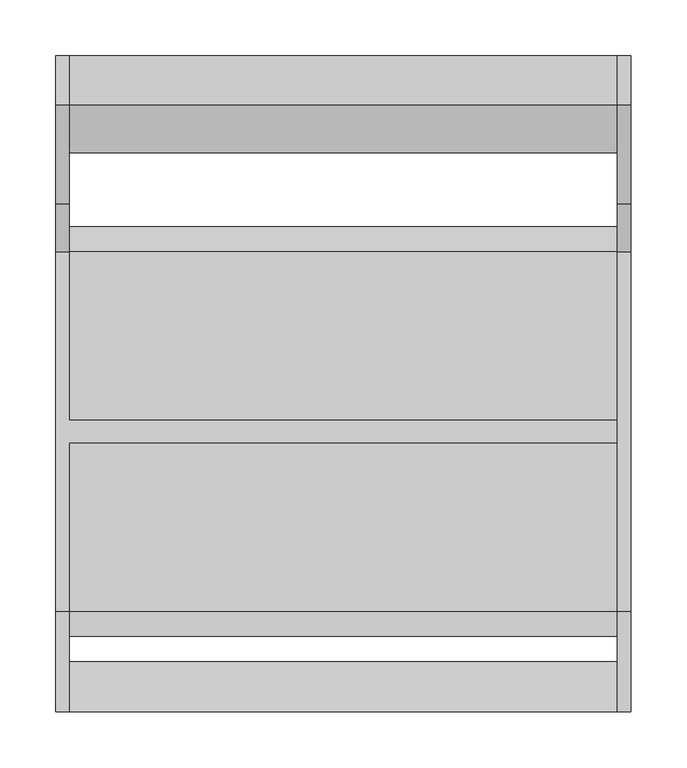
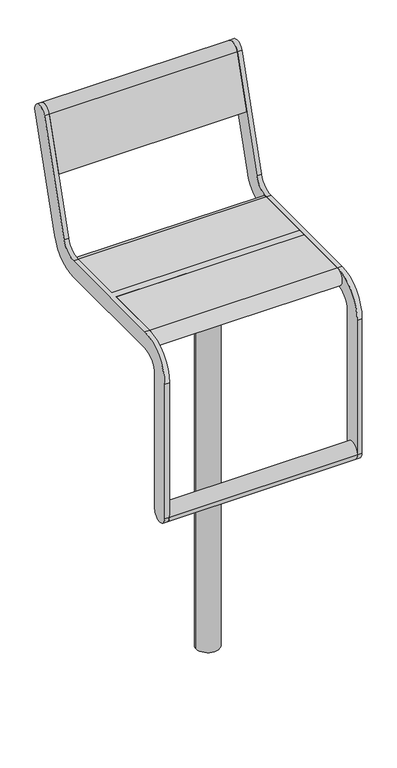
"""IFC4 building model written with IfcOpenShell, lengths in millimetres: furniture geometry."""

from ifc_helpers import new_model, si_unit, point, frame, frame_2d, origin, origin_2d, place, context, project, spatial, polyline, circle_curve, trimmed, segment, composite_curve, outline, extrude, source, transform, mapped, element, save
from ifc_brep_helpers import plane_surface, cylinder_surface, revolved_surface, advanced_brep


def furniture_853dd78e(model_context):
    return source(origin(), model_context, "Body", "SolidModel", [
        extrude(outline(composite_curve([segment(trimmed(circle_curve(origin_2d(), 40.0), [point((-40.0, 0.0))], [point((40.0, 0.0))], False, "CARTESIAN"), True, "CONTINUOUS"), segment(trimmed(circle_curve(origin_2d(), 40.0), [point((40.0, 0.0))], [point((-40.0, 0.0))], False, "CARTESIAN"), True, "CONTINUOUS")], self_intersect=False)), frame((0.0, 0.0, 578.999979), z_axis=(0.0, 0.0, 1.0), x_axis=(1.0, 0.0, 0.0)), (0.0, 0.0, 1.0), 60.0000441),
        extrude(outline(polyline([(75.0, 125.0), (75.0, -125.0), (-75.0, -125.0), (-75.0, 125.0), (75.0, 125.0)])), frame((0.0, 0.0, 639.0000231), z_axis=(0.0, 0.0, 1.0), x_axis=(1.0, 0.0, 0.0)), (0.0, 0.0, 1.0), 15.9999681),
        extrude(outline(composite_curve([segment(trimmed(circle_curve(origin_2d(), 30.0), [point((-30.0, 0.0))], [point((30.0, 0.0))], False, "CARTESIAN"), True, "CONTINUOUS"), segment(trimmed(circle_curve(origin_2d(), 30.0), [point((30.0, 0.0))], [point((-30.0, 0.0))], False, "CARTESIAN"), True, "CONTINUOUS")], self_intersect=False)), frame((0.0, 0.0, -350.0), z_axis=(0.0, 0.0, 1.0), x_axis=(1.0, 0.0, 0.0)), (0.0, 0.0, 1.0), 928.999979),
        extrude(outline(composite_curve([segment(trimmed(circle_curve(frame_2d((-228.4999475, 240.0002133)), 22.4999984), [point((-205.9999492, 240.0002133))], [point((-250.9999459, 240.0002133))], False, "CARTESIAN"), True, "CONTINUOUS"), segment(trimmed(circle_curve(frame_2d((-228.4999475, 240.0002133)), 22.4999984), [point((-250.9999459, 240.0002133))], [point((-205.9999492, 240.0002133))], False, "CARTESIAN"), True, "CONTINUOUS")], self_intersect=False)), frame((-245.0, 0.0, 0.0), z_axis=(1.0, 0.0, 0.0), x_axis=(0.0, 1.0, 0.0)), (0.0, 0.0, 1.0), 490.0),
        extrude(outline(composite_curve([segment(trimmed(circle_curve(frame_2d((312.5544541, 1013.1126327)), 22.5), [point((291.0375971, 1019.6909961))], [point((334.0713112, 1006.5342693))], False, "CARTESIAN"), True, "CONTINUOUS"), segment(polyline([(334.0713112, 1006.5342693), (246.067428, 718.6865378)]), True, "CONTINUOUS"), segment(trimmed(circle_curve(frame_2d((160.0, 744.9999912)), 90.0), [point((246.067428, 718.6865378))], [point((160.0, 654.9999912))], False, "CARTESIAN"), True, "CONTINUOUS"), segment(polyline([(160.0, 654.9999912), (-161.000007, 654.9999912)]), True, "CONTINUOUS"), segment(trimmed(circle_curve(frame_2d((-161.000007, 610.000049)), 44.9999422), [point((-161.000007, 654.9999912))], [point((-205.9999492, 610.000049))], True, "CARTESIAN"), True, "CONTINUOUS"), segment(polyline([(-205.9999492, 610.000049), (-205.9999492, 240.0002133)]), True, "CONTINUOUS"), segment(trimmed(circle_curve(frame_2d((-228.4999475, 240.0002133)), 22.4999984), [point((-205.9999492, 240.0002133))], [point((-250.9999459, 240.0002133))], False, "CARTESIAN"), True, "CONTINUOUS"), segment(polyline([(-250.9999459, 240.0002133), (-250.9999459, 610.0000453)]), True, "CONTINUOUS"), segment(trimmed(circle_curve(frame_2d((-161.0, 610.0000453)), 89.9999459), [point((-250.9999459, 610.0000453))], [point((-161.0, 699.9999912))], False, "CARTESIAN"), True, "CONTINUOUS"), segment(polyline([(-161.0, 699.9999912), (160.0, 699.9999912)]), True, "CONTINUOUS"), segment(trimmed(circle_curve(frame_2d((160.0, 744.9999912)), 45.0), [point((160.0, 699.9999912))], [point((203.033714, 731.8432645))], True, "CARTESIAN"), True, "CONTINUOUS"), segment(polyline([(203.033714, 731.8432645), (291.0375971, 1019.6909961)]), True, "CONTINUOUS")], self_intersect=False)), frame((245.0000214, 0.0, 0.0), z_axis=(1.0, 0.0, 0.0), x_axis=(0.0, 1.0, 0.0)), (0.0, 0.0, 1.0), 12.0),
        advanced_brep(
        [(-245.0, 291.0375971, 1019.6909961), (-245.0, 203.033714, 731.8432645), (-245.0, 160.0, 699.9999912), (-245.0, 9.5, 699.9999912), (-245.0, 9.5, 654.9999912), (-245.0, 160.0, 654.9999912), (-245.0, 246.067428, 718.6865378), (-245.0, 334.0713112, 1006.5342693), (-245.0, -161.0, 699.9999912), (-245.0, -250.9999459, 610.0000453), (-245.0, -250.9999459, 240.0002133), (-245.0, -205.9999492, 240.0002133), (-245.0, -205.9999492, 610.000049), (-245.0, -161.000007, 654.9999912), (-245.0, -10.5, 654.9999912), (-245.0, -10.5, 699.9999912), (-257.0, 291.0375971, 1019.6909961), (-257.0, 334.0713112, 1006.5342693), (-257.0, 246.067428, 718.6865378), (-257.0, 160.0, 654.9999912), (-257.0, -161.000007, 654.9999912), (-257.0, -205.9999492, 610.000049), (-257.0, -205.9999492, 240.0002133), (-257.0, -250.9999459, 240.0002133), (-257.0, -250.9999459, 610.0000453), (-257.0, -161.0, 699.9999912), (-257.0, 160.0, 699.9999912), (-257.0, 203.033714, 731.8432645), (245.0, -10.5, 699.9999912), (245.0, 9.5, 699.9999912), (245.0, 9.5, 654.9999912), (245.0, -10.5, 654.9999912)],
        [
            (0, 1),
            (1, 2, circle_curve(frame((-245.0, 160.0, 744.9999912), z_axis=(-1.0, 0.0, 0.0), x_axis=(0.0, -1.0, 0.0)), 45.0)),
            (2, 3),
            (3, 4),
            (4, 5),
            (5, 6, circle_curve(frame((-245.0, 160.0, 744.9999912), z_axis=(1.0, 0.0, 0.0), x_axis=(0.0, -1.0, 0.0)), 90.0)),
            (6, 7),
            (7, 0, circle_curve(frame((-245.0, 312.5544541, 1013.1126327), z_axis=(1.0, 0.0, 0.0), x_axis=(0.0, -1.0, 0.0)), 22.5)),
            (8, 9, circle_curve(frame((-245.0, -161.0, 610.0000453), z_axis=(1.0, 0.0, 0.0), x_axis=(0.0, -1.0, 0.0)), 89.9999459)),
            (9, 10),
            (10, 11, circle_curve(frame((-245.0, -228.4999475, 240.0002133), z_axis=(1.0, 0.0, 0.0), x_axis=(0.0, -1.0, 0.0)), 22.4999984)),
            (11, 12),
            (12, 13, circle_curve(frame((-245.0, -161.000007, 610.000049), z_axis=(-1.0, 0.0, 0.0), x_axis=(0.0, -1.0, 0.0)), 44.9999422)),
            (13, 14),
            (14, 15),
            (15, 8),
            (16, 17, circle_curve(frame((-257.0, 312.5544541, 1013.1126327), z_axis=(-1.0, 0.0, 0.0), x_axis=(0.0, -1.0, 0.0)), 22.5)),
            (17, 18),
            (18, 19, circle_curve(frame((-257.0, 160.0, 744.9999912), z_axis=(-1.0, 0.0, 0.0), x_axis=(0.0, -1.0, 0.0)), 90.0)),
            (19, 20),
            (20, 21, circle_curve(frame((-257.0, -161.000007, 610.000049), z_axis=(1.0, 0.0, 0.0), x_axis=(0.0, -1.0, 0.0)), 44.9999422)),
            (21, 22),
            (22, 23, circle_curve(frame((-257.0, -228.4999475, 240.0002133), z_axis=(-1.0, 0.0, 0.0), x_axis=(0.0, -1.0, 0.0)), 22.4999984)),
            (23, 24),
            (24, 25, circle_curve(frame((-257.0, -161.0, 610.0000453), z_axis=(-1.0, 0.0, 0.0), x_axis=(0.0, -1.0, 0.0)), 89.9999459)),
            (25, 26),
            (26, 27, circle_curve(frame((-257.0, 160.0, 744.9999912), z_axis=(1.0, 0.0, 0.0), x_axis=(0.0, -1.0, 0.0)), 45.0)),
            (27, 16),
            (0, 16),
            (27, 1),
            (26, 2),
            (25, 8),
            (15, 28),
            (28, 29),
            (29, 3),
            (19, 5),
            (4, 30),
            (30, 31),
            (31, 14),
            (13, 20),
            (18, 6),
            (17, 7),
            (28, 31),
            (30, 29),
            (24, 9),
            (23, 10),
            (22, 11),
            (21, 12),
        ],
        [
            plane_surface(frame((-245.0, 203.033714, 731.8432645), z_axis=(1.0, 0.0, 0.0), x_axis=(0.0, -0.2923717047227337, -0.9563047559630364))),
            plane_surface(frame((-257.0, 203.033714, 731.8432645), z_axis=(-1.0, 0.0, 0.0), x_axis=(0.0, 0.2923717047227337, 0.9563047559630364))),
            plane_surface(frame((-245.0, 291.0375971, 1019.6909961), z_axis=(0.0, -0.9563047559630364, 0.2923717047227337), x_axis=(-1.0, 0.0, 0.0))),
            revolved_surface(polyline([(-257.0, 115.0, 744.9999912), (-245.0, 115.0, 744.9999912)]), (-257.0, 160.0, 744.9999912), (-1.0, 0.0, 0.0)),
            plane_surface(frame((-245.0, 160.0, 699.9999912), z_axis=(0.0, 0.0, 1.0), x_axis=(-1.0, 0.0, 0.0))),
            plane_surface(frame((-245.0, -161.000007, 654.9999912), z_axis=(0.0, 0.0, -1.0), x_axis=(-1.0, 0.0, 0.0))),
            cylinder_surface(frame((-257.0, 160.0, 744.9999912), z_axis=(1.0, 0.0, 0.0), x_axis=(0.0, -1.0, 0.0)), 90.0),
            plane_surface(frame((-245.0, 246.067428, 718.6865378), z_axis=(0.0, 0.9563047559630364, -0.2923717047227337), x_axis=(-1.0, 0.0, 0.0))),
            cylinder_surface(frame((-257.0, 312.5544541, 1013.1126327), z_axis=(1.0, 0.0, 0.0), x_axis=(0.0, -1.0, 0.0)), 22.5),
            plane_surface(frame((245.0, -10.5, 699.9999912), z_axis=(1.0, 0.0, 0.0), x_axis=(0.0, -1.0, 0.0))),
            plane_surface(frame((245.0, -10.5, 699.9999912), z_axis=(0.0, -1.0, 0.0), x_axis=(-1.0, 0.0, 0.0))),
            plane_surface(frame((245.0, 9.5, 654.9999912), z_axis=(0.0, 1.0, 0.0), x_axis=(-1.0, 0.0, 0.0))),
            cylinder_surface(frame((-257.0, -161.0, 610.0000453), z_axis=(1.0, 0.0, 0.0), x_axis=(0.0, -1.0, 0.0)), 89.9999459),
            plane_surface(frame((-245.0, -250.9999459, 610.0000453), z_axis=(0.0, -1.0, 0.0), x_axis=(-1.0, 0.0, 0.0))),
            cylinder_surface(frame((-257.0, -228.4999475, 240.0002133), z_axis=(1.0, 0.0, 0.0), x_axis=(0.0, -1.0, 0.0)), 22.4999984),
            plane_surface(frame((-245.0, -205.9999492, 240.0002133), z_axis=(0.0, 1.0, 0.0), x_axis=(-1.0, 0.0, 0.0))),
            revolved_surface(polyline([(-257.0, -205.9999492, 610.000049), (-245.0, -205.9999492, 610.000049)]), (-257.0, -161.000007, 610.000049), (-1.0, 0.0, 0.0)),
        ],
        [
            (0, [[1, 2, 3, 4, 5, 6, 7, 8]]),
            (0, [[9, 10, 11, 12, 13, 14, 15, 16]]),
            (1, [[17, 18, 19, 20, 21, 22, 23, 24, 25, 26, 27, 28]]),
            (2, [[-1, 29, -28, 30]]),
            (3, [[-2, -30, -27, 31]]),
            (4, [[-26, 32, -16, 33, 34, 35, -3, -31]]),
            (5, [[-20, 36, -5, 37, 38, 39, -14, 40]]),
            (6, [[-6, -36, -19, 41]]),
            (7, [[-7, -41, -18, 42]]),
            (8, [[-8, -42, -17, -29]]),
            (9, [[-34, 43, -38, 44]]),
            (10, [[-43, -33, -15, -39]]),
            (11, [[-44, -37, -4, -35]]),
            (12, [[-9, -32, -25, 45]]),
            (13, [[-10, -45, -24, 46]]),
            (14, [[-11, -46, -23, 47]]),
            (15, [[-12, -47, -22, 48]]),
            (16, [[-13, -48, -21, -40]]),
        ],
    ),
        extrude(outline(composite_curve([segment(trimmed(circle_curve(frame_2d((312.5544541, 1013.1126327)), 22.5), [point((291.0375971, 1019.6909961))], [point((334.0713112, 1006.5342693))], False, "CARTESIAN"), True, "CONTINUOUS"), segment(polyline([(334.0713112, 1006.5342693), (291.5312281, 867.3919274), (248.4975141, 880.5486541), (291.0375971, 1019.6909961)]), True, "CONTINUOUS")], self_intersect=False)), frame((-245.0, 0.0, 0.0), z_axis=(1.0, 0.0, 0.0), x_axis=(0.0, 1.0, 0.0)), (0.0, 0.0, 1.0), 490.0),
        extrude(outline(composite_curve([segment(polyline([(9.5, 654.9999912), (9.5, 699.9999912), (160.0, 699.9999912)]), True, "CONTINUOUS"), segment(trimmed(circle_curve(frame_2d((160.0, 677.4999912)), 22.5), [point((160.0, 699.9999912))], [point((160.0, 654.9999912))], False, "CARTESIAN"), True, "CONTINUOUS"), segment(polyline([(160.0, 654.9999912), (9.5, 654.9999912)]), True, "CONTINUOUS")], self_intersect=False)), frame((-245.0, 0.0, 0.0), z_axis=(1.0, 0.0, 0.0), x_axis=(0.0, 1.0, 0.0)), (0.0, 0.0, 1.0), 490.0),
        extrude(outline(composite_curve([segment(polyline([(-10.5, 654.9999912), (-161.0, 654.9999912)]), True, "CONTINUOUS"), segment(trimmed(circle_curve(frame_2d((-161.0, 677.4999912)), 22.5), [point((-161.0, 654.9999912))], [point((-161.0, 699.9999912))], False, "CARTESIAN"), True, "CONTINUOUS"), segment(polyline([(-161.0, 699.9999912), (-10.5, 699.9999912), (-10.5, 654.9999912)]), True, "CONTINUOUS")], self_intersect=False)), frame((-245.0, 0.0, 0.0), z_axis=(1.0, 0.0, 0.0), x_axis=(0.0, 1.0, 0.0)), (0.0, 0.0, 1.0), 490.0),
    ])


if __name__ == "__main__":
    model = new_model("IFC4")
    model_context = context("Model", 3, world=origin())
    ifc_project = project(units=[si_unit("LENGTHUNIT", "METRE", prefix="MILLI")], contexts=[model_context])
    site = spatial("IfcSite", under=ifc_project)
    building = spatial("IfcBuilding", under=site)
    placement = place(None, origin())
    furniture_shape = furniture_853dd78e(model_context)
    element("IfcFurniture", 1, at=placement, inside=building, context=model_context, shape_type="MappedRepresentation", body=[
        mapped(furniture_shape, transform((0.0, 0.0, 0.0), x_axis=(1.0, 0.0, 0.0), y_axis=(0.0, 1.0, 0.0), z_axis=(0.0, 0.0, 1.0))),
    ])
    save(model, "model.ifc")
